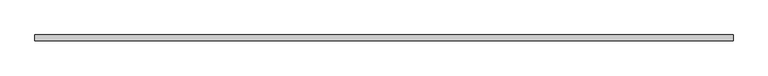
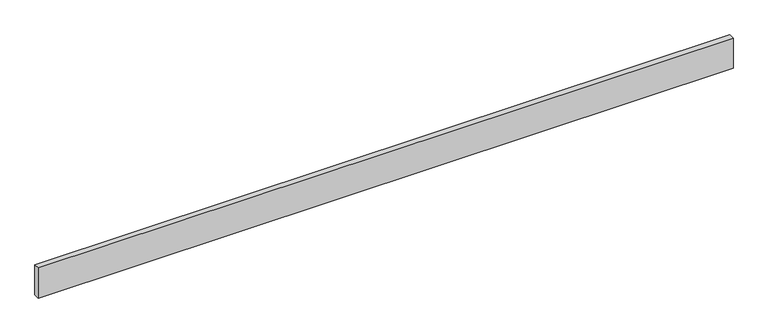
"""IFC4 building model written with IfcOpenShell, lengths in millimetres: beam geometry."""

import ifcopenshell
import ifcopenshell.guid

model = None  # the IFC model being written
_history = None  # IfcOwnerHistory: only IFC2X3 demands one
_inside = {}  # id of a spatial element -> (the spatial element, [elements in it])
_under = {}  # id of a project, library or spatial element -> (it, [spatial elements below it])
_declared = {}  # id of a project -> (the project, [libraries it declares])
_typed = {}  # id of a type object -> (the type object, [elements of that type])
_made_of = {}  # id of a material, layer set ... -> (it, [elements and type objects made of it])


def new_model(schema):
    """Start an empty IFC model of exactly this schema.

    Asked for "IFC4X3", IfcOpenShell would pick the latest addendum, in which some entities
    have other attributes; the version numbers below select the first issue.
    IFC2X3 requires an IfcOwnerHistory on every rooted entity: one is made here for all.
    """
    global model, _history
    if schema == "IFC4X3":
        model = ifcopenshell.file(schema_version=(4, 3, 0, 0))
    else:
        model = ifcopenshell.file(schema=schema)
    _inside.clear()
    _under.clear()
    _declared.clear()
    _typed.clear()
    _made_of.clear()
    _history = None
    if model.schema == "IFC2X3":
        org = make("IfcOrganization", Name="unknown")
        user = make(
            "IfcPersonAndOrganization",
            ThePerson=make("IfcPerson", FamilyName="unknown"),
            TheOrganization=org,
        )
        app = make(
            "IfcApplication",
            ApplicationDeveloper=org,
            Version="unknown",
            ApplicationFullName="unknown",
            ApplicationIdentifier="unknown",
        )
        _history = make(
            "IfcOwnerHistory",
            OwningUser=user,
            OwningApplication=app,
            ChangeAction="ADDED",
            CreationDate=0,
        )
    return model


def make(cls, **values):
    """One entity of the class cls with the attributes given. An attribute that is None is left unset."""
    return model.create_entity(
        cls, **{name: value for name, value in values.items() if value is not None}
    )


def rooted(cls, **values):
    """An entity with a GlobalId (a new one), such as an element, a storey or a relation."""
    return make(cls, GlobalId=ifcopenshell.guid.new(), OwnerHistory=_history, **values)


def si_unit(unit_type, name, prefix=None):
    """IfcSIUnit, for example si_unit("LENGTHUNIT", "METRE", prefix="MILLI")."""
    return make("IfcSIUnit", UnitType=unit_type, Prefix=prefix, Name=name)


def assignment(units):
    """IfcUnitAssignment: the units of a project."""
    return None if units is None else make("IfcUnitAssignment", Units=units)


def point(xyz):
    """IfcCartesianPoint."""
    return None if xyz is None else make("IfcCartesianPoint", Coordinates=xyz)


def direction(xyz):
    """IfcDirection."""
    return None if xyz is None else make("IfcDirection", DirectionRatios=xyz)


def frame(location, z_axis=None, x_axis=None):
    """IfcAxis2Placement3D, a coordinate frame: its origin and axes. An axis left out is left unset."""
    return make(
        "IfcAxis2Placement3D",
        Location=point(location),
        Axis=direction(z_axis),
        RefDirection=direction(x_axis),
    )


def origin():
    """The frame at (0, 0, 0) with its axes left unset."""
    return frame((0.0, 0.0, 0.0))


def place(relative_to, where):
    """IfcLocalPlacement: puts the frame where relative to a parent placement (None: the world)."""
    return make(
        "IfcLocalPlacement", PlacementRelTo=relative_to, RelativePlacement=where
    )


def context(
    kind, dimensions, precision=None, world=None, true_north=None, identifier=None
):
    """IfcGeometricRepresentationContext, for example the 3D "Model" context."""
    return make(
        "IfcGeometricRepresentationContext",
        ContextIdentifier=identifier,
        ContextType=kind,
        CoordinateSpaceDimension=dimensions,
        Precision=precision,
        WorldCoordinateSystem=world,
        TrueNorth=true_north,
    )


def project(units=None, contexts=None):
    """IfcProject with its units and contexts."""
    return rooted(
        "IfcProject",
        Name="project",
        RepresentationContexts=contexts,
        UnitsInContext=assignment(units),
    )


def spatial(cls, under=None, at=None, **own):
    """A site, building, storey or space (cls), placed at a placement, below another one or the project."""
    s = rooted(cls, ObjectPlacement=at, **own)
    if under is not None:
        _under.setdefault(under.id(), (under, []))[1].append(s)
    return s


def polyline(points):
    """IfcPolyline through the points."""
    return make("IfcPolyline", Points=[point(p) for p in points])


def outline(outer, holes=None, kind="AREA"):
    """IfcArbitraryClosedProfileDef: a profile drawn as a closed curve; with holes, ...WithVoids."""
    if holes is None:
        return make("IfcArbitraryClosedProfileDef", ProfileType=kind, OuterCurve=outer)
    return make(
        "IfcArbitraryProfileDefWithVoids",
        ProfileType=kind,
        OuterCurve=outer,
        InnerCurves=holes,
    )


def extrude(swept, where, along, depth):
    """IfcExtrudedAreaSolid: the profile swept, set in the frame where, extruded along a direction by depth."""
    return make(
        "IfcExtrudedAreaSolid",
        SweptArea=swept,
        Position=where,
        ExtrudedDirection=direction(along),
        Depth=depth,
    )


def shape(context_of_items, identifier, shape_type, items):
    """IfcShapeRepresentation: the items that make up one representation, for example the "Body"."""
    return make(
        "IfcShapeRepresentation",
        ContextOfItems=context_of_items,
        RepresentationIdentifier=identifier,
        RepresentationType=shape_type,
        Items=items,
    )


def source(mapping_origin, context_of_items, identifier, shape_type, items):
    """IfcRepresentationMap: a shape defined once, which mapped items show again and again."""
    return make(
        "IfcRepresentationMap",
        MappingOrigin=mapping_origin,
        MappedRepresentation=shape(context_of_items, identifier, shape_type, items),
    )


def transform(
    local_origin,
    x_axis=None,
    y_axis=None,
    z_axis=None,
    scale=None,
    scale2=None,
    scale3=None,
    uniform=True,
):
    """IfcCartesianTransformationOperator3D, or its non-uniform kind. x_axis, y_axis, z_axis: its Axis1, 2, 3."""
    if uniform:
        return make(
            "IfcCartesianTransformationOperator3D",
            Axis1=direction(x_axis),
            Axis2=direction(y_axis),
            LocalOrigin=point(local_origin),
            Scale=scale,
            Axis3=direction(z_axis),
        )
    return make(
        "IfcCartesianTransformationOperator3DnonUniform",
        Axis1=direction(x_axis),
        Axis2=direction(y_axis),
        LocalOrigin=point(local_origin),
        Scale=scale,
        Axis3=direction(z_axis),
        Scale2=scale2,
        Scale3=scale3,
    )


def mapped(mapping_source, mapping_target):
    """IfcMappedItem: shows the shape of a source again, moved by a transform."""
    return make(
        "IfcMappedItem", MappingSource=mapping_source, MappingTarget=mapping_target
    )


def made_of(thing, what):
    """Note that an element or type object is made of a material, layer set ...; save() writes the relation."""
    if what is not None:
        _made_of.setdefault(what.id(), (what, []))[1].append(thing)
    return thing


def element(
    cls,
    number,
    at=None,
    inside=None,
    cuts=None,
    type_object=None,
    material=None,
    context=None,
    identifier="Body",
    shape_type=None,
    held_by="IfcProductDefinitionShape",
    body=None,
    shapes=None,
    **own,
):
    """One element of the class cls, such as IfcWall. Its Tag is "e" and its number.

    at: its placement. inside: the storey or other place that contains it. cuts: it is an
    opening in that element (IfcRelVoidsElement). A single representation is given by context,
    identifier, shape_type and body (its items); several are given by shapes. held_by: the class
    of the entity that holds the representations. save() writes the other relations.
    """
    e = rooted(cls, Tag="e%d" % number, ObjectPlacement=at, **own)
    if body is not None:
        shapes = [shape(context, identifier, shape_type, body)]
    if shapes is not None:
        e.Representation = make(held_by, Representations=shapes)
    if inside is not None:
        _inside.setdefault(inside.id(), (inside, []))[1].append(e)
    if cuts is not None:
        rooted(
            "IfcRelVoidsElement", RelatingBuildingElement=cuts, RelatedOpeningElement=e
        )
    if type_object is not None:
        _typed.setdefault(type_object.id(), (type_object, []))[1].append(e)
    return made_of(e, material)


def aggregate(whole, parts):
    """IfcRelAggregates: a whole, such as a stair, and the parts it consists of."""
    return rooted("IfcRelAggregates", RelatingObject=whole, RelatedObjects=parts)


def save(model, path):
    """Write the relations noted so far, then the file.

    IfcRelAggregates (storeys below a building ...), IfcRelContainedInSpatialStructure (elements
    in a storey), IfcRelDefinesByType, IfcRelAssociatesMaterial and IfcRelDeclares: one each for
    every whole, place, type object, material and project.
    """
    for whole, parts in _under.values():
        aggregate(whole, parts)
    for where, things in _inside.values():
        rooted(
            "IfcRelContainedInSpatialStructure",
            RelatedElements=things,
            RelatingStructure=where,
        )
    for kind, things in _typed.values():
        rooted("IfcRelDefinesByType", RelatedObjects=things, RelatingType=kind)
    for what, things in _made_of.values():
        rooted("IfcRelAssociatesMaterial", RelatedObjects=things, RelatingMaterial=what)
    for by, libraries in _declared.values():
        rooted("IfcRelDeclares", RelatingContext=by, RelatedDefinitions=libraries)
    model.write(path)


def beam_d9c9f2d9(model_context):
    return source(origin(), model_context, "Body", "SweptSolid", [
        extrude(outline(polyline([(2175.6, -18.0), (-2175.6, -18.0), (-2175.6, 18.0), (2175.6, 18.0), (2175.6, -18.0)])), frame((0.0, 0.0, -100.0), z_axis=(0.0, 0.0, 1.0), x_axis=(1.0, 0.0, 0.0)), (0.0, 0.0, 1.0), 200.0),
    ])


if __name__ == "__main__":
    model = new_model("IFC4")
    model_context = context("Model", 3, world=origin())
    ifc_project = project(units=[si_unit("LENGTHUNIT", "METRE", prefix="MILLI")], contexts=[model_context])
    site = spatial("IfcSite", under=ifc_project)
    building = spatial("IfcBuilding", under=site)
    placement = place(None, origin())
    beam_shape = beam_d9c9f2d9(model_context)
    element("IfcBeam", 1, at=placement, inside=building, context=model_context, shape_type="MappedRepresentation", body=[
        mapped(beam_shape, transform((0.0, 0.0, 0.0), x_axis=(1.0, 0.0, 0.0), y_axis=(0.0, 1.0, 0.0), z_axis=(0.0, 0.0, 1.0))),
    ])
    save(model, "model.ifc")
